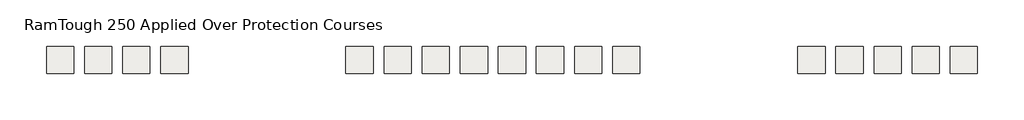
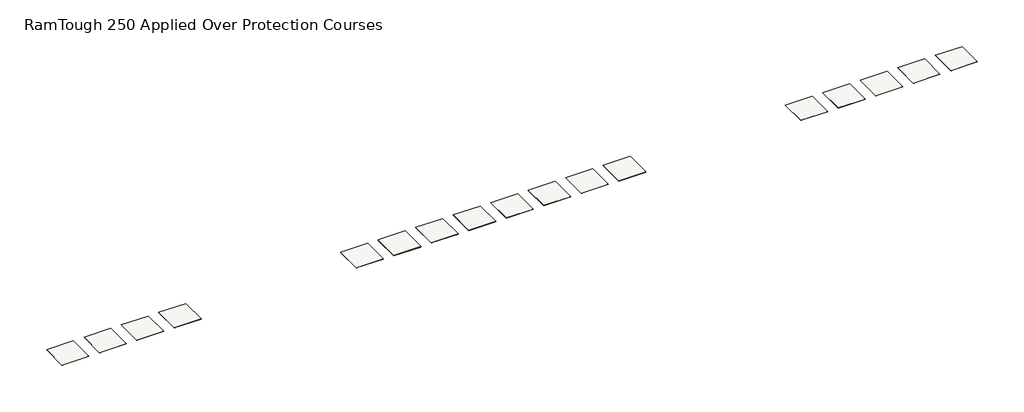
# One storey: 17 slabs.
"""IFC4 building model written with IfcOpenShell, lengths in millimetres."""

from ifc_helpers import new_model, si_unit, frame, origin, place, context, project, spatial, polyline, outline, extrude, element, save

model = new_model("IFC4")

# Units and contexts
model_context = context("Model", 3, world=origin())
ifc_project = project(units=[si_unit("LENGTHUNIT", "METRE", prefix="MILLI")], contexts=[model_context])

# Site, building, storey
site = spatial("IfcSite", under=ifc_project)
building = spatial("IfcBuilding", under=site)
storey = spatial("IfcBuildingStorey", under=building, Name="RamTough 250 Applied Over Protection Courses", Elevation=0.0)

# Slabs
placement = place(None, origin())
element("IfcSlab", 1, at=placement, inside=storey, context=model_context, shape_type="SweptSolid", body=[
    extrude(outline(polyline([(-12583.7729396, 10939.4099492), (-12583.7729396, 10177.4099492), (-13345.7729396, 10177.4099492), (-13345.7729396, 10939.4099492), (-12583.7729396, 10939.4099492)])), frame((0.0, 0.0, -2.9972), z_axis=(0.0, 0.0, 1.0), x_axis=(1.0, 0.0, 0.0)), (0.0, 0.0, 1.0), 2.9972),
])
element("IfcSlab", 2, at=placement, inside=storey, context=model_context, shape_type="SweptSolid", body=[
    extrude(outline(polyline([(-11516.9729396, 10939.4099492), (-11516.9729396, 10177.4099492), (-12278.9729396, 10177.4099492), (-12278.9729396, 10939.4099492), (-11516.9729396, 10939.4099492)])), frame((0.0, 0.0, -1.2954), z_axis=(0.0, 0.0, 1.0), x_axis=(1.0, 0.0, 0.0)), (0.0, 0.0, 1.0), 1.2954),
])
element("IfcSlab", 3, at=placement, inside=storey, context=model_context, shape_type="SweptSolid", body=[
    extrude(outline(polyline([(-10450.1729396, 10939.4099492), (-10450.1729396, 10177.4099492), (-11212.1729396, 10177.4099492), (-11212.1729396, 10939.4099492), (-10450.1729396, 10939.4099492)])), frame((0.0, 0.0, -2.2098), z_axis=(0.0, 0.0, 1.0), x_axis=(1.0, 0.0, 0.0)), (0.0, 0.0, 1.0), 2.2098),
])
element("IfcSlab", 4, at=placement, inside=storey, context=model_context, shape_type="SweptSolid", body=[
    extrude(outline(polyline([(-9383.3729396, 10939.4099492), (-9383.3729396, 10177.4099492), (-10145.3729396, 10177.4099492), (-10145.3729396, 10939.4099492), (-9383.3729396, 10939.4099492)])), frame((0.0, 0.0, -2.9972), z_axis=(0.0, 0.0, 1.0), x_axis=(1.0, 0.0, 0.0)), (0.0, 0.0, 1.0), 2.9972),
])
element("IfcSlab", 5, at=placement, inside=storey, context=model_context, shape_type="SweptSolid", body=[
    extrude(outline(polyline([(-4201.7729396, 10939.4099492), (-4201.7729396, 10177.4099492), (-4963.7729396, 10177.4099492), (-4963.7729396, 10939.4099492), (-4201.7729396, 10939.4099492)])), frame((0.0, 0.0, -12.7), z_axis=(0.0, 0.0, 1.0), x_axis=(1.0, 0.0, 0.0)), (0.0, 0.0, 1.0), 12.7),
])
element("IfcSlab", 6, at=placement, inside=storey, context=model_context, shape_type="SweptSolid", body=[
    extrude(outline(polyline([(-3134.9729396, 10939.4099492), (-3134.9729396, 10177.4099492), (-3896.9729396, 10177.4099492), (-3896.9729396, 10939.4099492), (-3134.9729396, 10939.4099492)])), frame((0.0, 0.0, -25.4), z_axis=(0.0, 0.0, 1.0), x_axis=(1.0, 0.0, 0.0)), (0.0, 0.0, 1.0), 25.4),
])
element("IfcSlab", 7, at=placement, inside=storey, context=model_context, shape_type="SweptSolid", body=[
    extrude(outline(polyline([(-2068.1729396, 10939.4099492), (-2068.1729396, 10177.4099492), (-2830.1729396, 10177.4099492), (-2830.1729396, 10939.4099492), (-2068.1729396, 10939.4099492)])), frame((0.0, 0.0, -6.35), z_axis=(0.0, 0.0, 1.0), x_axis=(1.0, 0.0, 0.0)), (0.0, 0.0, 1.0), 6.35),
])
element("IfcSlab", 8, at=placement, inside=storey, context=model_context, shape_type="SweptSolid", body=[
    extrude(outline(polyline([(-1001.3729396, 10939.4099492), (-1001.3729396, 10177.4099492), (-1763.3729396, 10177.4099492), (-1763.3729396, 10939.4099492), (-1001.3729396, 10939.4099492)])), frame((0.0, 0.0, -6.35), z_axis=(0.0, 0.0, 1.0), x_axis=(1.0, 0.0, 0.0)), (0.0, 0.0, 1.0), 6.35),
])
element("IfcSlab", 9, at=placement, inside=storey, context=model_context, shape_type="SweptSolid", body=[
    extrude(outline(polyline([(65.4270604, 10939.4099492), (65.4270604, 10177.4099492), (-696.5729396, 10177.4099492), (-696.5729396, 10939.4099492), (65.4270604, 10939.4099492)])), frame((0.0, 0.0, -10.922), z_axis=(0.0, 0.0, 1.0), x_axis=(1.0, 0.0, 0.0)), (0.0, 0.0, 1.0), 10.922),
])
element("IfcSlab", 10, at=placement, inside=storey, context=model_context, shape_type="SweptSolid", body=[
    extrude(outline(polyline([(1132.2270604, 10939.4099492), (1132.2270604, 10177.4099492), (370.2270604, 10177.4099492), (370.2270604, 10939.4099492), (1132.2270604, 10939.4099492)])), frame((0.0, 0.0, -10.922), z_axis=(0.0, 0.0, 1.0), x_axis=(1.0, 0.0, 0.0)), (0.0, 0.0, 1.0), 10.922),
])
element("IfcSlab", 11, at=placement, inside=storey, context=model_context, shape_type="SweptSolid", body=[
    extrude(outline(polyline([(2199.0270604, 10939.4099492), (2199.0270604, 10177.4099492), (1437.0270604, 10177.4099492), (1437.0270604, 10939.4099492), (2199.0270604, 10939.4099492)])), frame((0.0, 0.0, -6.35), z_axis=(0.0, 0.0, 1.0), x_axis=(1.0, 0.0, 0.0)), (0.0, 0.0, 1.0), 6.35),
])
element("IfcSlab", 12, at=placement, inside=storey, context=model_context, shape_type="SweptSolid", body=[
    extrude(outline(polyline([(3265.8270604, 10939.4099492), (3265.8270604, 10177.4099492), (2503.8270604, 10177.4099492), (2503.8270604, 10939.4099492), (3265.8270604, 10939.4099492)])), frame((0.0, 0.0, -11.43), z_axis=(0.0, 0.0, 1.0), x_axis=(1.0, 0.0, 0.0)), (0.0, 0.0, 1.0), 11.43),
])
element("IfcSlab", 13, at=placement, inside=storey, context=model_context, shape_type="SweptSolid", body=[
    extrude(outline(polyline([(8447.4270604, 10939.4099492), (8447.4270604, 10177.4099492), (7685.4270604, 10177.4099492), (7685.4270604, 10939.4099492), (8447.4270604, 10939.4099492)])), frame((0.0, 0.0, -1.524), z_axis=(0.0, 0.0, 1.0), x_axis=(1.0, 0.0, 0.0)), (0.0, 0.0, 1.0), 1.524),
])
element("IfcSlab", 14, at=placement, inside=storey, context=model_context, shape_type="SweptSolid", body=[
    extrude(outline(polyline([(9514.2270604, 10939.4099492), (9514.2270604, 10177.4099492), (8752.2270604, 10177.4099492), (8752.2270604, 10939.4099492), (9514.2270604, 10939.4099492)])), frame((0.0, 0.0, -2.5908), z_axis=(0.0, 0.0, 1.0), x_axis=(1.0, 0.0, 0.0)), (0.0, 0.0, 1.0), 2.5908),
])
element("IfcSlab", 15, at=placement, inside=storey, context=model_context, shape_type="SweptSolid", body=[
    extrude(outline(polyline([(10581.0270604, 10939.4099492), (10581.0270604, 10177.4099492), (9819.0270604, 10177.4099492), (9819.0270604, 10939.4099492), (10581.0270604, 10939.4099492)])), frame((0.0, 0.0, -2.5908), z_axis=(0.0, 0.0, 1.0), x_axis=(1.0, 0.0, 0.0)), (0.0, 0.0, 1.0), 2.5908),
])
element("IfcSlab", 16, at=placement, inside=storey, context=model_context, shape_type="SweptSolid", body=[
    extrude(outline(polyline([(11647.8270604, 10939.4099492), (11647.8270604, 10177.4099492), (10885.8270604, 10177.4099492), (10885.8270604, 10939.4099492), (11647.8270604, 10939.4099492)])), frame((0.0, 0.0, -2.5908), z_axis=(0.0, 0.0, 1.0), x_axis=(1.0, 0.0, 0.0)), (0.0, 0.0, 1.0), 2.5908),
])
element("IfcSlab", 17, at=placement, inside=storey, context=model_context, shape_type="SweptSolid", body=[
    extrude(outline(polyline([(12714.6270604, 10939.4099492), (12714.6270604, 10177.4099492), (11952.6270604, 10177.4099492), (11952.6270604, 10939.4099492), (12714.6270604, 10939.4099492)])), frame((0.0, 0.0, -1.524), z_axis=(0.0, 0.0, 1.0), x_axis=(1.0, 0.0, 0.0)), (0.0, 0.0, 1.0), 1.524),
])

save(model, "model.ifc")
